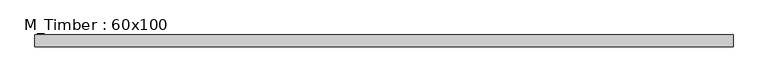
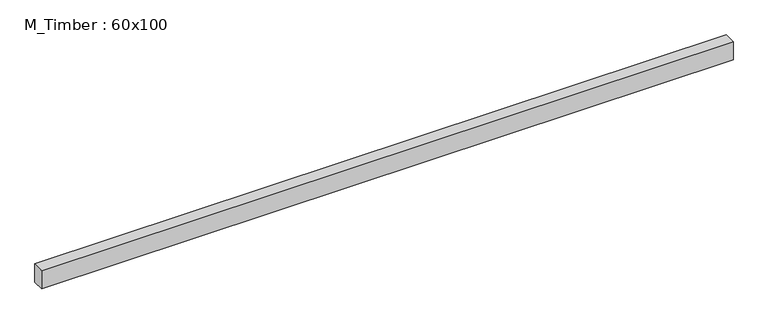
"""IFC4 building model written with IfcOpenShell, lengths in millimetres: beam geometry, M_Timber : 60x100."""

from ifc_helpers import new_model, si_unit, frame, origin, place, context, project, spatial, polyline, outline, extrude, source, transform, mapped, element, save


def m_timber_60x100_e223efb0(model_context):
    return source(origin(), model_context, "Body", "SweptSolid", [
        extrude(outline(polyline([(1881.9549154, 30.0), (1881.9549154, -30.0), (-1695.5624334, -30.0), (-1695.5624334, 30.0), (1881.9549154, 30.0)])), frame((0.0, 0.0, -50.0), z_axis=(0.0, 0.0, 1.0), x_axis=(1.0, 0.0, 0.0)), (0.0, 0.0, 1.0), 100.0),
    ])


if __name__ == "__main__":
    model = new_model("IFC4")
    model_context = context("Model", 3, world=origin())
    ifc_project = project(units=[si_unit("LENGTHUNIT", "METRE", prefix="MILLI")], contexts=[model_context])
    site = spatial("IfcSite", under=ifc_project)
    building = spatial("IfcBuilding", under=site)
    placement = place(None, origin())
    m_timber_60x100_shape = m_timber_60x100_e223efb0(model_context)
    element("IfcBeam", 1, ObjectType="M_Timber : 60x100", at=placement, inside=building, context=model_context, shape_type="MappedRepresentation", body=[
        mapped(m_timber_60x100_shape, transform((0.0, 0.0, 0.0), x_axis=(1.0, 0.0, 0.0), y_axis=(0.0, 1.0, 0.0), z_axis=(0.0, 0.0, 1.0))),
    ])
    save(model, "model.ifc")
